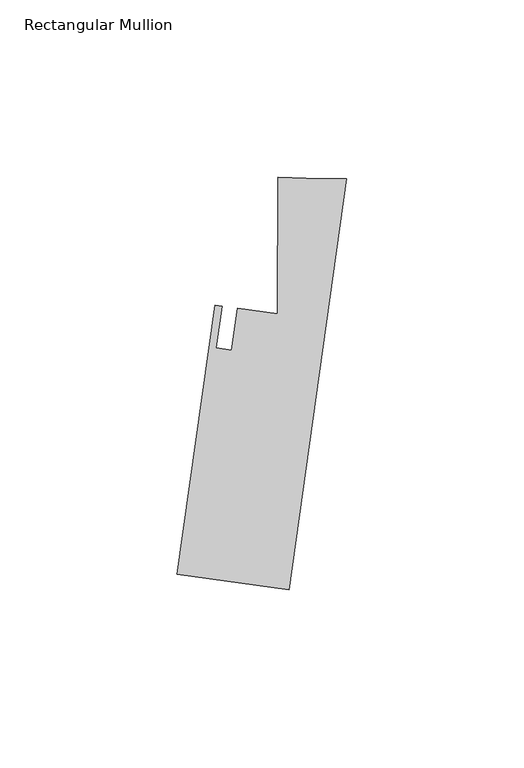
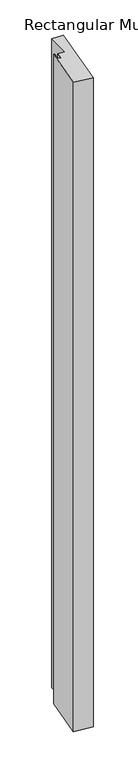
"""IFC4 building model written with IfcOpenShell, lengths in millimetres: member geometry, Rectangular Mullion."""

from ifc_helpers import new_model, si_unit, frame, origin, place, context, project, spatial, polyline, outline, extrude, source, transform, mapped, element, save


def rectangular_mullion_18cae57b(model_context):
    return source(origin(), model_context, "Body", "SweptSolid", [
        extrude(outline(polyline([(-47.7197012, -111.7381981), (-37.0687359, -35.9527876), (-35.1068072, -36.2285192), (-36.7611888, -48.0000334), (-32.4349058, -48.6080539), (-30.7805233, -36.8365335), (-19.4249594, -38.432457), (-19.3699134, 0.0022725), (-11.3980148, -0.2140544), (0.0, -0.3282682), (-16.2786912, -116.1569524), (-47.7197012, -111.7381981)])), frame((0.0, 0.0, -1155.7), z_axis=(0.0, 0.0, 1.0), x_axis=(1.0, 0.0, 0.0)), (0.0, 0.0, 1.0), 1155.7),
    ])


if __name__ == "__main__":
    model = new_model("IFC4")
    model_context = context("Model", 3, world=origin())
    ifc_project = project(units=[si_unit("LENGTHUNIT", "METRE", prefix="MILLI")], contexts=[model_context])
    site = spatial("IfcSite", under=ifc_project)
    building = spatial("IfcBuilding", under=site)
    placement = place(None, origin())
    rectangular_mullion_shape = rectangular_mullion_18cae57b(model_context)
    element("IfcMember", 1, ObjectType="Rectangular Mullion", at=placement, inside=building, context=model_context, shape_type="MappedRepresentation", body=[
        mapped(rectangular_mullion_shape, transform((0.0, 0.0, 0.0), x_axis=(1.0, 0.0, 0.0), y_axis=(0.0, 1.0, 0.0), z_axis=(0.0, 0.0, 1.0))),
    ])
    save(model, "model.ifc")
